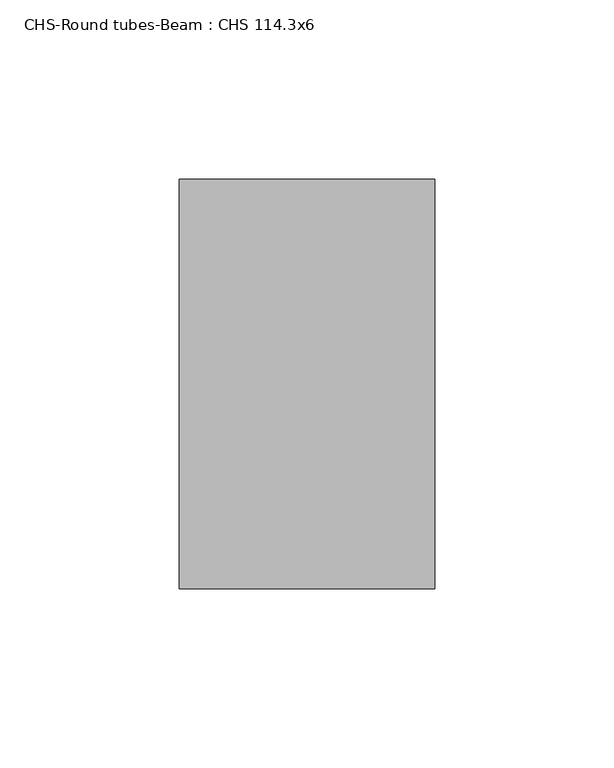
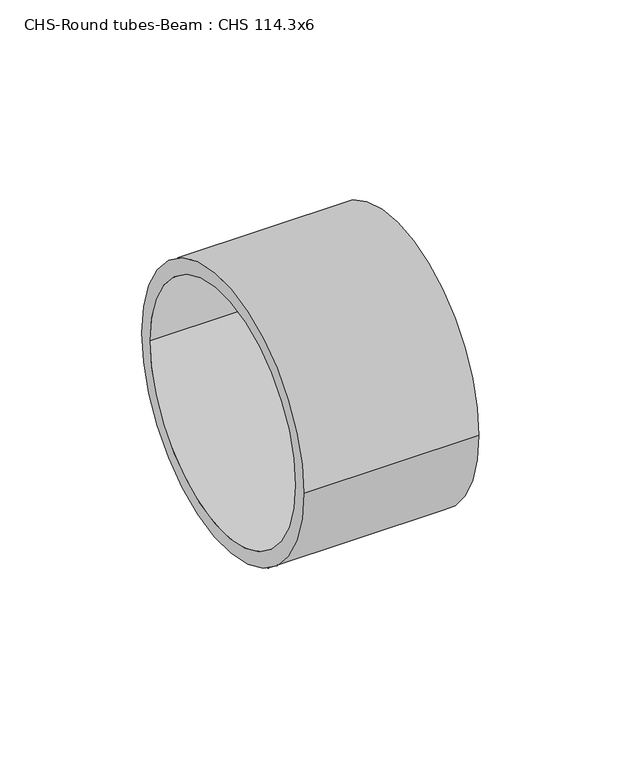
"""IFC4 building model written with IfcOpenShell, lengths in millimetres: beam geometry, CHS-Round tubes-Beam : CHS 114.3x6."""

from ifc_helpers import new_model, si_unit, point, frame, origin, origin_2d, place, context, project, spatial, circle_curve, trimmed, segment, composite_curve, outline, extrude, source, transform, mapped, element, save


def chs_round_tubes_beam_chs_114_3x6_18d698b2(model_context):
    return source(origin(), model_context, "Body", "SweptSolid", [
        extrude(outline(composite_curve([segment(trimmed(circle_curve(origin_2d(), 57.15), [point((-57.15, 0.0))], [point((57.15, 0.0))], False, "CARTESIAN"), True, "CONTINUOUS"), segment(trimmed(circle_curve(origin_2d(), 57.15), [point((57.15, 0.0))], [point((-57.15, 0.0))], False, "CARTESIAN"), True, "CONTINUOUS")], self_intersect=False), holes=[composite_curve([segment(trimmed(circle_curve(origin_2d(), 51.15), [point((-51.15, 0.0))], [point((51.15, 0.0))], True, "CARTESIAN"), True, "CONTINUOUS"), segment(trimmed(circle_curve(origin_2d(), 51.15), [point((51.15, 0.0))], [point((-51.15, 0.0))], True, "CARTESIAN"), True, "CONTINUOUS")], self_intersect=False)]), frame((115.6237299, 0.0, 0.0), z_axis=(1.0, 0.0, 0.0), x_axis=(0.0, 1.0, 0.0)), (0.0, 0.0, 1.0), 71.3218945),
    ])


if __name__ == "__main__":
    model = new_model("IFC4")
    model_context = context("Model", 3, world=origin())
    ifc_project = project(units=[si_unit("LENGTHUNIT", "METRE", prefix="MILLI")], contexts=[model_context])
    site = spatial("IfcSite", under=ifc_project)
    building = spatial("IfcBuilding", under=site)
    placement = place(None, origin())
    chs_round_tubes_beam_chs_114_3x6_shape = chs_round_tubes_beam_chs_114_3x6_18d698b2(model_context)
    element("IfcBeam", 1, ObjectType="CHS-Round tubes-Beam : CHS 114.3x6", at=placement, inside=building, context=model_context, shape_type="MappedRepresentation", body=[
        mapped(chs_round_tubes_beam_chs_114_3x6_shape, transform((0.0, 0.0, 0.0), x_axis=(1.0, 0.0, 0.0), y_axis=(0.0, 1.0, 0.0), z_axis=(0.0, 0.0, 1.0))),
    ])
    save(model, "model.ifc")
